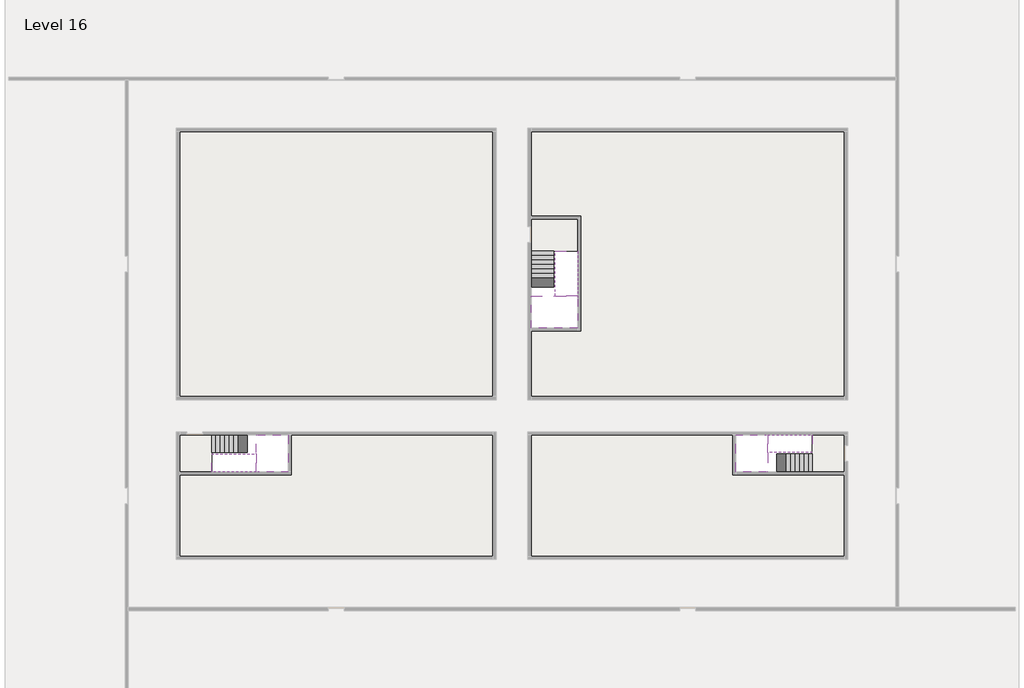
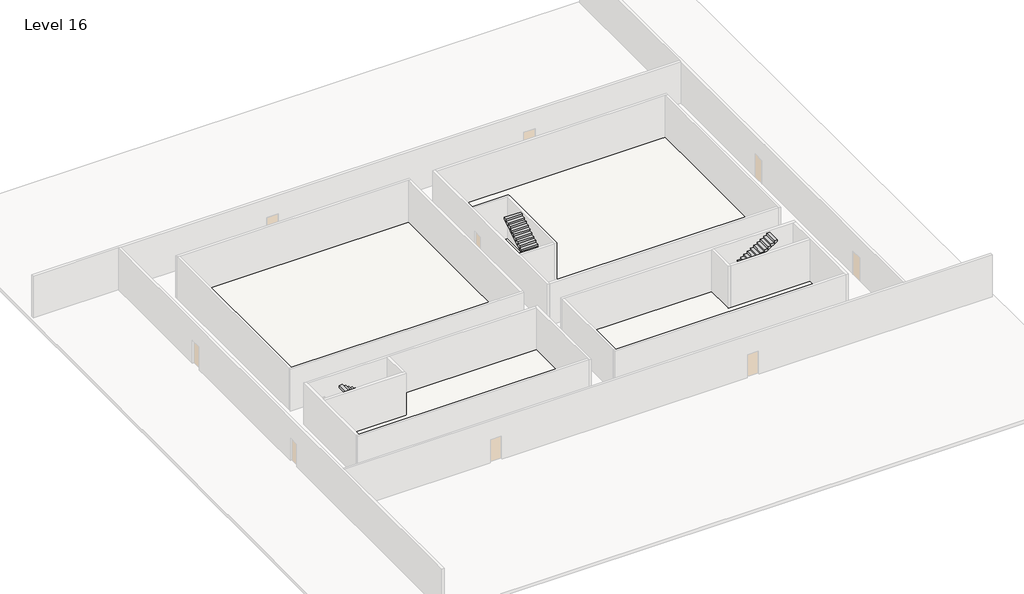
# One storey, part 2 of 2: 6 stair flights, 5 slabs.
"""IFC4 building model written with IfcOpenShell, lengths in millimetres."""

import ifcopenshell
import ifcopenshell.guid

model = None  # the IFC model being written
_history = None  # IfcOwnerHistory: only IFC2X3 demands one
_inside = {}  # id of a spatial element -> (the spatial element, [elements in it])
_under = {}  # id of a project, library or spatial element -> (it, [spatial elements below it])
_declared = {}  # id of a project -> (the project, [libraries it declares])
_typed = {}  # id of a type object -> (the type object, [elements of that type])
_made_of = {}  # id of a material, layer set ... -> (it, [elements and type objects made of it])


def new_model(schema):
    """Start an empty IFC model of exactly this schema.

    Asked for "IFC4X3", IfcOpenShell would pick the latest addendum, in which some entities
    have other attributes; the version numbers below select the first issue.
    IFC2X3 requires an IfcOwnerHistory on every rooted entity: one is made here for all.
    """
    global model, _history
    if schema == "IFC4X3":
        model = ifcopenshell.file(schema_version=(4, 3, 0, 0))
    else:
        model = ifcopenshell.file(schema=schema)
    _inside.clear()
    _under.clear()
    _declared.clear()
    _typed.clear()
    _made_of.clear()
    _history = None
    if model.schema == "IFC2X3":
        org = make("IfcOrganization", Name="unknown")
        user = make(
            "IfcPersonAndOrganization",
            ThePerson=make("IfcPerson", FamilyName="unknown"),
            TheOrganization=org,
        )
        app = make(
            "IfcApplication",
            ApplicationDeveloper=org,
            Version="unknown",
            ApplicationFullName="unknown",
            ApplicationIdentifier="unknown",
        )
        _history = make(
            "IfcOwnerHistory",
            OwningUser=user,
            OwningApplication=app,
            ChangeAction="ADDED",
            CreationDate=0,
        )
    return model


def make(cls, **values):
    """One entity of the class cls with the attributes given. An attribute that is None is left unset."""
    return model.create_entity(
        cls, **{name: value for name, value in values.items() if value is not None}
    )


def rooted(cls, **values):
    """An entity with a GlobalId (a new one), such as an element, a storey or a relation."""
    return make(cls, GlobalId=ifcopenshell.guid.new(), OwnerHistory=_history, **values)


def si_unit(unit_type, name, prefix=None):
    """IfcSIUnit, for example si_unit("LENGTHUNIT", "METRE", prefix="MILLI")."""
    return make("IfcSIUnit", UnitType=unit_type, Prefix=prefix, Name=name)


def assignment(units):
    """IfcUnitAssignment: the units of a project."""
    return None if units is None else make("IfcUnitAssignment", Units=units)


def point(xyz):
    """IfcCartesianPoint."""
    return None if xyz is None else make("IfcCartesianPoint", Coordinates=xyz)


def direction(xyz):
    """IfcDirection."""
    return None if xyz is None else make("IfcDirection", DirectionRatios=xyz)


def frame(location, z_axis=None, x_axis=None):
    """IfcAxis2Placement3D, a coordinate frame: its origin and axes. An axis left out is left unset."""
    return make(
        "IfcAxis2Placement3D",
        Location=point(location),
        Axis=direction(z_axis),
        RefDirection=direction(x_axis),
    )


def origin():
    """The frame at (0, 0, 0) with its axes left unset."""
    return frame((0.0, 0.0, 0.0))


def place(relative_to, where):
    """IfcLocalPlacement: puts the frame where relative to a parent placement (None: the world)."""
    return make(
        "IfcLocalPlacement", PlacementRelTo=relative_to, RelativePlacement=where
    )


def context(
    kind, dimensions, precision=None, world=None, true_north=None, identifier=None
):
    """IfcGeometricRepresentationContext, for example the 3D "Model" context."""
    return make(
        "IfcGeometricRepresentationContext",
        ContextIdentifier=identifier,
        ContextType=kind,
        CoordinateSpaceDimension=dimensions,
        Precision=precision,
        WorldCoordinateSystem=world,
        TrueNorth=true_north,
    )


def project(units=None, contexts=None):
    """IfcProject with its units and contexts."""
    return rooted(
        "IfcProject",
        Name="project",
        RepresentationContexts=contexts,
        UnitsInContext=assignment(units),
    )


def spatial(cls, under=None, at=None, **own):
    """A site, building, storey or space (cls), placed at a placement, below another one or the project."""
    s = rooted(cls, ObjectPlacement=at, **own)
    if under is not None:
        _under.setdefault(under.id(), (under, []))[1].append(s)
    return s


def polyline(points):
    """IfcPolyline through the points."""
    return make("IfcPolyline", Points=[point(p) for p in points])


def outline(outer, holes=None, kind="AREA"):
    """IfcArbitraryClosedProfileDef: a profile drawn as a closed curve; with holes, ...WithVoids."""
    if holes is None:
        return make("IfcArbitraryClosedProfileDef", ProfileType=kind, OuterCurve=outer)
    return make(
        "IfcArbitraryProfileDefWithVoids",
        ProfileType=kind,
        OuterCurve=outer,
        InnerCurves=holes,
    )


def extrude(swept, where, along, depth):
    """IfcExtrudedAreaSolid: the profile swept, set in the frame where, extruded along a direction by depth."""
    return make(
        "IfcExtrudedAreaSolid",
        SweptArea=swept,
        Position=where,
        ExtrudedDirection=direction(along),
        Depth=depth,
    )


def faces_of(points, faces, orient=None, outer=None):
    """IfcFace entities. A face is a list of loops; a loop is a list of indices into points, from 0.

    orient and outer hold one flag for each loop. By default every Orientation is true, the
    first loop of a face is its IfcFaceOuterBound and the others are IfcFaceBound.
    """
    made = []
    for i, loops in enumerate(faces):
        bounds = []
        for j, loop in enumerate(loops):
            is_outer = j == 0 if outer is None else outer[i][j]
            bounds.append(
                make(
                    "IfcFaceOuterBound" if is_outer else "IfcFaceBound",
                    Bound=make("IfcPolyLoop", Polygon=[points[k] for k in loop]),
                    Orientation=True if orient is None else orient[i][j],
                )
            )
        made.append(make("IfcFace", Bounds=bounds))
    return made


def faceted_brep(points, faces, orient=None, outer=None, voids=None):
    """IfcFacetedBrep: a solid bounded by flat faces; with voids (closed shells), ...WithVoids."""
    shared = [point(p) for p in points]
    hull = make("IfcClosedShell", CfsFaces=faces_of(shared, faces, orient, outer))
    if voids is None:
        return make("IfcFacetedBrep", Outer=hull)
    return make(
        "IfcFacetedBrepWithVoids",
        Outer=hull,
        Voids=[
            make(cls, CfsFaces=faces_of(shared, fs, o, b)) for cls, fs, o, b in voids
        ],
    )


def shape(context_of_items, identifier, shape_type, items):
    """IfcShapeRepresentation: the items that make up one representation, for example the "Body"."""
    return make(
        "IfcShapeRepresentation",
        ContextOfItems=context_of_items,
        RepresentationIdentifier=identifier,
        RepresentationType=shape_type,
        Items=items,
    )


def made_of(thing, what):
    """Note that an element or type object is made of a material, layer set ...; save() writes the relation."""
    if what is not None:
        _made_of.setdefault(what.id(), (what, []))[1].append(thing)
    return thing


def element(
    cls,
    number,
    at=None,
    inside=None,
    cuts=None,
    type_object=None,
    material=None,
    context=None,
    identifier="Body",
    shape_type=None,
    held_by="IfcProductDefinitionShape",
    body=None,
    shapes=None,
    **own,
):
    """One element of the class cls, such as IfcWall. Its Tag is "e" and its number.

    at: its placement. inside: the storey or other place that contains it. cuts: it is an
    opening in that element (IfcRelVoidsElement). A single representation is given by context,
    identifier, shape_type and body (its items); several are given by shapes. held_by: the class
    of the entity that holds the representations. save() writes the other relations.
    """
    e = rooted(cls, Tag="e%d" % number, ObjectPlacement=at, **own)
    if body is not None:
        shapes = [shape(context, identifier, shape_type, body)]
    if shapes is not None:
        e.Representation = make(held_by, Representations=shapes)
    if inside is not None:
        _inside.setdefault(inside.id(), (inside, []))[1].append(e)
    if cuts is not None:
        rooted(
            "IfcRelVoidsElement", RelatingBuildingElement=cuts, RelatedOpeningElement=e
        )
    if type_object is not None:
        _typed.setdefault(type_object.id(), (type_object, []))[1].append(e)
    return made_of(e, material)


def aggregate(whole, parts):
    """IfcRelAggregates: a whole, such as a stair, and the parts it consists of."""
    return rooted("IfcRelAggregates", RelatingObject=whole, RelatedObjects=parts)


def save(model, path):
    """Write the relations noted so far, then the file.

    IfcRelAggregates (storeys below a building ...), IfcRelContainedInSpatialStructure (elements
    in a storey), IfcRelDefinesByType, IfcRelAssociatesMaterial and IfcRelDeclares: one each for
    every whole, place, type object, material and project.
    """
    for whole, parts in _under.values():
        aggregate(whole, parts)
    for where, things in _inside.values():
        rooted(
            "IfcRelContainedInSpatialStructure",
            RelatedElements=things,
            RelatingStructure=where,
        )
    for kind, things in _typed.values():
        rooted("IfcRelDefinesByType", RelatedObjects=things, RelatingType=kind)
    for what, things in _made_of.values():
        rooted("IfcRelAssociatesMaterial", RelatedObjects=things, RelatingMaterial=what)
    for by, libraries in _declared.values():
        rooted("IfcRelDeclares", RelatingContext=by, RelatedDefinitions=libraries)
    model.write(path)


model = new_model("IFC4")

# Units and contexts
model_context = context("Model", 3, world=origin())
ifc_project = project(units=[si_unit("LENGTHUNIT", "METRE", prefix="MILLI")], contexts=[model_context])

# Site, building, storey
site = spatial("IfcSite", under=ifc_project)
building = spatial("IfcBuilding", under=site)
storey = spatial("IfcBuildingStorey", under=building, Name="Level 16", Elevation=57000.0)

# Slabs
placement = place(None, origin())
element("IfcSlab", 1, at=placement, inside=storey, context=model_context, shape_type="Brep", body=[
    faceted_brep([(8190.1058784, -42918.09644, 58900.0), (8190.1058784, -44018.09644, 58900.0), (8190.1058784, -44118.09644, 58900.0), (8190.1058784, -45218.09644, 58900.0), (8390.7194421, -45218.09644, 58900.0), (10190.1058784, -45218.09644, 58900.0), (10190.1058784, -42918.09644, 58900.0), (8269.4923146, -42918.09644, 58900.0), (8190.1058784, -42918.09644, 58727.2727273), (8190.1058784, -42918.09644, 58551.0278478), (8190.1058784, -44018.09644, 58551.0278478), (8190.1058784, -44018.09644, 58600.0), (8190.1058784, -44118.09644, 58600.0), (8190.1058784, -44118.09644, 58723.7551205), (8190.1058784, -45218.09644, 58723.7551205), (8390.7194421, -45218.09644, 58600.0), (10190.1058784, -45218.09644, 58600.0), (10190.1058784, -42918.09644, 58600.0), (8269.4923146, -42918.09644, 58600.0), (8390.7194421, -44118.09644, 58600.0), (8269.4923146, -44018.09644, 58600.0)], [[[0, 1, 2, 3, 4, 5, 6, 7]], [[1, 0, 8, 9, 10, 11]], [[2, 1, 11, 12, 13]], [[3, 2, 13, 14]], [[3, 14, 15, 16, 5, 4]], [[6, 5, 16, 17]], [[9, 8, 0, 7, 6, 17, 18]], [[19, 12, 11, 20, 18, 17, 16, 15]], [[12, 19, 13]], [[18, 20, 10, 9]], [[20, 11, 10]], [[19, 15, 14, 13]]]),
])
element("IfcSlab", 2, at=placement, inside=storey, context=model_context, shape_type="Brep", body=[
    faceted_brep([(40190.1058784, -45218.09644, 58900.0), (40190.1058784, -44118.09644, 58900.0), (40190.1058784, -44018.09644, 58900.0), (40190.1058784, -42918.09644, 58900.0), (39989.4923146, -42918.09644, 58900.0), (38190.1058784, -42918.09644, 58900.0), (38190.1058784, -45218.09644, 58900.0), (40110.7194421, -45218.09644, 58900.0), (40190.1058784, -45218.09644, 58727.2727273), (40190.1058784, -45218.09644, 58551.0278478), (40190.1058784, -44118.09644, 58551.0278478), (40190.1058784, -44118.09644, 58600.0), (40190.1058784, -44018.09644, 58600.0), (40190.1058784, -44018.09644, 58723.7551205), (40190.1058784, -42918.09644, 58723.7551205), (39989.4923146, -42918.09644, 58600.0), (38190.1058784, -42918.09644, 58600.0), (38190.1058784, -45218.09644, 58600.0), (40110.7194421, -45218.09644, 58600.0), (39989.4923146, -44018.09644, 58600.0), (40110.7194421, -44118.09644, 58600.0)], [[[0, 1, 2, 3, 4, 5, 6, 7]], [[1, 0, 8, 9, 10, 11]], [[2, 1, 11, 12, 13]], [[3, 2, 13, 14]], [[3, 14, 15, 16, 5, 4]], [[6, 5, 16, 17]], [[9, 8, 0, 7, 6, 17, 18]], [[19, 12, 11, 20, 18, 17, 16, 15]], [[12, 19, 13]], [[18, 20, 10, 9]], [[20, 11, 10]], [[19, 15, 14, 13]]]),
])
element("IfcSlab", 3, at=placement, inside=storey, context=model_context, shape_type="Brep", body=[
    faceted_brep([(26790.1058784, -34218.09644, 58900.0), (25390.1058784, -34218.09644, 58900.0), (25390.1058784, -34297.4828763, 58900.0), (25390.1058784, -36218.09644, 58900.0), (28290.1058784, -36218.09644, 58900.0), (28290.1058784, -34418.7100038, 58900.0), (28290.1058784, -34218.09644, 58900.0), (26890.1058784, -34218.09644, 58900.0), (26790.1058784, -34218.09644, 58600.0), (26790.1058784, -34218.09644, 58551.0278478), (25390.1058784, -34218.09644, 58551.0278478), (25390.1058784, -34218.09644, 58727.2727273), (25390.1058784, -34297.4828763, 58600.0), (25390.1058784, -36218.09644, 58600.0), (28290.1058784, -36218.09644, 58600.0), (28290.1058784, -34418.7100038, 58600.0), (28290.1058784, -34218.09644, 58723.7551205), (26890.1058784, -34218.09644, 58723.7551205), (26890.1058784, -34218.09644, 58600.0), (26890.1058784, -34418.7100038, 58600.0), (26790.1058784, -34297.4828763, 58600.0)], [[[0, 1, 2, 3, 4, 5, 6, 7]], [[1, 0, 8, 9, 10, 11]], [[1, 11, 10, 12, 13, 3, 2]], [[4, 3, 13, 14]], [[4, 14, 15, 16, 6, 5]], [[7, 6, 16, 17]], [[0, 7, 17, 18, 8]], [[18, 19, 15, 14, 13, 12, 20, 8]], [[19, 18, 17]], [[20, 12, 10, 9]], [[8, 20, 9]], [[15, 19, 17, 16]]]),
])
element("IfcSlab", 4, at=placement, inside=storey, context=model_context, shape_type="SweptSolid", body=[
    extrude(outline(polyline([(22990.1058784, -23918.09644), (22990.1058784, -40518.09644), (3390.1058784, -40518.09644), (3390.1058784, -23918.09644), (22990.1058784, -23918.09644)])), frame((0.0, 0.0, 56700.0), z_axis=(0.0, 0.0, 1.0), x_axis=(1.0, 0.0, 0.0)), (0.0, 0.0, 1.0), 300.0),
    extrude(outline(polyline([(44990.1058784, -23918.09644), (44990.1058784, -40518.09644), (25390.1058784, -40518.09644), (25390.1058784, -36418.09644), (28490.1058784, -36418.09644), (28490.1058784, -29218.09644), (25390.1058784, -29218.09644), (25390.1058784, -23918.09644), (44990.1058784, -23918.09644)])), frame((0.0, 0.0, 56700.0), z_axis=(0.0, 0.0, 1.0), x_axis=(1.0, 0.0, 0.0)), (0.0, 0.0, 1.0), 300.0),
    extrude(outline(polyline([(22990.1058784, -42918.09644), (22990.1058784, -50518.09644), (3390.1058784, -50518.09644), (3390.1058784, -45418.09644), (10390.1058784, -45418.09644), (10390.1058784, -42918.09644), (22990.1058784, -42918.09644)])), frame((0.0, 0.0, 56700.0), z_axis=(0.0, 0.0, 1.0), x_axis=(1.0, 0.0, 0.0)), (0.0, 0.0, 1.0), 300.0),
    extrude(outline(polyline([(37990.1058784, -42918.09644), (37990.1058784, -45418.09644), (44990.1058784, -45418.09644), (44990.1058784, -50518.09644), (25390.1058784, -50518.09644), (25390.1058784, -42918.09644), (37990.1058784, -42918.09644)])), frame((0.0, 0.0, 56700.0), z_axis=(0.0, 0.0, 1.0), x_axis=(1.0, 0.0, 0.0)), (0.0, 0.0, 1.0), 300.0),
])
element("IfcSlab", 5, at=placement, inside=storey, context=model_context, shape_type="SweptSolid", body=[
    extrude(outline(polyline([(44990.1058784, -42918.09644), (44990.1058784, -45218.09644), (42990.1058784, -45218.09644), (42990.1058784, -42918.09644), (44990.1058784, -42918.09644)])), frame((0.0, 0.0, 56700.0), z_axis=(0.0, 0.0, 1.0), x_axis=(1.0, 0.0, 0.0)), (0.0, 0.0, 1.0), 300.0),
    extrude(outline(polyline([(5390.1058784, -42918.09644), (5390.1058784, -45218.09644), (3390.1058784, -45218.09644), (3390.1058784, -42918.09644), (5390.1058784, -42918.09644)])), frame((0.0, 0.0, 56700.0), z_axis=(0.0, 0.0, 1.0), x_axis=(1.0, 0.0, 0.0)), (0.0, 0.0, 1.0), 300.0),
    extrude(outline(polyline([(28290.1058784, -29418.09644), (28290.1058784, -31418.09644), (25390.1058784, -31418.09644), (25390.1058784, -29418.09644), (28290.1058784, -29418.09644)])), frame((0.0, 0.0, 56700.0), z_axis=(0.0, 0.0, 1.0), x_axis=(1.0, 0.0, 0.0)), (0.0, 0.0, 1.0), 300.0),
])

# Stair flights
element("IfcStairFlight", 6, at=placement, inside=storey, context=model_context, shape_type="Brep", body=[
    faceted_brep([(5670.1058784, -42918.09644, 57172.7272727), (5390.1058784, -42918.09644, 57172.7272727), (5390.1058784, -44018.09644, 57172.7272727), (5670.1058784, -44018.09644, 57172.7272727), (5670.1058784, -42918.09644, 57000.0), (5390.1058784, -42918.09644, 57000.0), (5390.1058784, -44018.09644, 57000.0), (5670.1058784, -44018.09644, 57000.0), (5950.1058784, -42918.09644, 57345.4545455), (5670.1058784, -42918.09644, 57345.4545455), (5670.1058784, -44018.09644, 57345.4545455), (5950.1058784, -44018.09644, 57345.4545455), (5950.1058784, -42918.09644, 57169.209666), (5675.8081041, -42918.09644, 57000.0), (5675.8081041, -44018.09644, 57000.0), (5950.1058784, -44018.09644, 57169.209666), (6230.1058784, -42918.09644, 57518.1818182), (5950.1058784, -42918.09644, 57518.1818182), (5950.1058784, -44018.09644, 57518.1818182), (6230.1058784, -44018.09644, 57518.1818182), (6230.1058784, -42918.09644, 57341.9369387), (6230.1058784, -44018.09644, 57341.9369387), (6510.1058784, -42918.09644, 57690.9090909), (6230.1058784, -42918.09644, 57690.9090909), (6230.1058784, -44018.09644, 57690.9090909), (6510.1058784, -44018.09644, 57690.9090909), (6510.1058784, -42918.09644, 57514.6642114), (6510.1058784, -44018.09644, 57514.6642114), (6790.1058784, -42918.09644, 57863.6363636), (6510.1058784, -42918.09644, 57863.6363636), (6510.1058784, -44018.09644, 57863.6363636), (6790.1058784, -44018.09644, 57863.6363636), (6790.1058784, -42918.09644, 57687.3914841), (6790.1058784, -44018.09644, 57687.3914841), (7070.1058784, -42918.09644, 58036.3636364), (6790.1058784, -42918.09644, 58036.3636364), (6790.1058784, -44018.09644, 58036.3636364), (7070.1058784, -44018.09644, 58036.3636364), (7070.1058784, -42918.09644, 57860.1187569), (7070.1058784, -44018.09644, 57860.1187569), (7350.1058784, -42918.09644, 58209.0909091), (7070.1058784, -42918.09644, 58209.0909091), (7070.1058784, -44018.09644, 58209.0909091), (7350.1058784, -44018.09644, 58209.0909091), (7350.1058784, -42918.09644, 58032.8460296), (7350.1058784, -44018.09644, 58032.8460296), (7630.1058784, -42918.09644, 58381.8181818), (7350.1058784, -42918.09644, 58381.8181818), (7350.1058784, -44018.09644, 58381.8181818), (7630.1058784, -44018.09644, 58381.8181818), (7630.1058784, -42918.09644, 58205.5733023), (7630.1058784, -44018.09644, 58205.5733023), (7910.1058784, -42918.09644, 58554.5454545), (7630.1058784, -42918.09644, 58554.5454545), (7630.1058784, -44018.09644, 58554.5454545), (7910.1058784, -44018.09644, 58554.5454545), (7910.1058784, -42918.09644, 58378.3005751), (7910.1058784, -44018.09644, 58378.3005751), (8190.1058784, -42918.09644, 58727.2727273), (7910.1058784, -42918.09644, 58727.2727273), (7910.1058784, -44018.09644, 58727.2727273), (8190.1058784, -44018.09644, 58727.2727273), (8190.1058784, -42918.09644, 58551.0278478), (8190.1058784, -44018.09644, 58551.0278478), (8190.1058784, -44018.09644, 58600.0)], [[[0, 1, 2, 3]], [[1, 0, 4, 5]], [[2, 1, 5, 6]], [[3, 2, 6, 7]], [[8, 9, 10, 11]], [[4, 0, 9, 8, 12, 13]], [[0, 3, 10, 9]], [[3, 7, 14, 15, 11, 10]], [[16, 17, 18, 19]], [[17, 16, 20, 12, 8]], [[8, 11, 18, 17]], [[19, 18, 11, 15, 21]], [[22, 23, 24, 25]], [[23, 22, 26, 20, 16]], [[16, 19, 24, 23]], [[25, 24, 19, 21, 27]], [[28, 29, 30, 31]], [[29, 28, 32, 26, 22]], [[22, 25, 30, 29]], [[31, 30, 25, 27, 33]], [[34, 35, 36, 37]], [[35, 34, 38, 32, 28]], [[28, 31, 36, 35]], [[37, 36, 31, 33, 39]], [[40, 41, 42, 43]], [[41, 40, 44, 38, 34]], [[34, 37, 42, 41]], [[43, 42, 37, 39, 45]], [[46, 47, 48, 49]], [[47, 46, 50, 44, 40]], [[40, 43, 48, 47]], [[49, 48, 43, 45, 51]], [[52, 53, 54, 55]], [[53, 52, 56, 50, 46]], [[46, 49, 54, 53]], [[55, 54, 49, 51, 57]], [[58, 59, 60, 61]], [[59, 58, 62, 56, 52]], [[52, 55, 60, 59]], [[61, 60, 55, 57, 63, 64]], [[58, 61, 64, 63, 62]], [[5, 4, 13, 14, 7, 6]], [[14, 13, 12, 20, 26, 32, 38, 44, 50, 56, 62, 63, 57, 51, 45, 39, 33, 27, 21, 15]]]),
])
element("IfcStairFlight", 7, at=placement, inside=storey, context=model_context, shape_type="Brep", body=[
    faceted_brep([(7910.1058784, -45218.09644, 59072.7272727), (8190.1058784, -45218.09644, 59072.7272727), (8190.1058784, -44118.09644, 59072.7272727), (7910.1058784, -44118.09644, 59072.7272727), (7910.1058784, -45218.09644, 58896.4823932), (8190.1058784, -45218.09644, 58723.7551205), (8190.1058784, -45218.09644, 58900.0), (8190.1058784, -44118.09644, 58723.7551205), (7910.1058784, -44118.09644, 58896.4823932), (7630.1058784, -45218.09644, 59245.4545455), (7910.1058784, -45218.09644, 59245.4545455), (7910.1058784, -44118.09644, 59245.4545455), (7630.1058784, -44118.09644, 59245.4545455), (7630.1058784, -45218.09644, 59069.209666), (7630.1058784, -44118.09644, 59069.209666), (7350.1058784, -45218.09644, 59418.1818182), (7630.1058784, -45218.09644, 59418.1818182), (7630.1058784, -44118.09644, 59418.1818182), (7350.1058784, -44118.09644, 59418.1818182), (7350.1058784, -45218.09644, 59241.9369387), (7350.1058784, -44118.09644, 59241.9369387), (7070.1058784, -45218.09644, 59590.9090909), (7350.1058784, -45218.09644, 59590.9090909), (7350.1058784, -44118.09644, 59590.9090909), (7070.1058784, -44118.09644, 59590.9090909), (7070.1058784, -45218.09644, 59414.6642114), (7070.1058784, -44118.09644, 59414.6642114), (6790.1058784, -45218.09644, 59763.6363636), (7070.1058784, -45218.09644, 59763.6363636), (7070.1058784, -44118.09644, 59763.6363636), (6790.1058784, -44118.09644, 59763.6363636), (6790.1058784, -45218.09644, 59587.3914841), (6790.1058784, -44118.09644, 59587.3914841), (6510.1058784, -45218.09644, 59936.3636364), (6790.1058784, -45218.09644, 59936.3636364), (6790.1058784, -44118.09644, 59936.3636364), (6510.1058784, -44118.09644, 59936.3636364), (6510.1058784, -45218.09644, 59760.1187569), (6510.1058784, -44118.09644, 59760.1187569), (6230.1058784, -45218.09644, 60109.0909091), (6510.1058784, -45218.09644, 60109.0909091), (6510.1058784, -44118.09644, 60109.0909091), (6230.1058784, -44118.09644, 60109.0909091), (6230.1058784, -45218.09644, 59932.8460296), (6230.1058784, -44118.09644, 59932.8460296), (5950.1058784, -45218.09644, 60281.8181818), (6230.1058784, -45218.09644, 60281.8181818), (6230.1058784, -44118.09644, 60281.8181818), (5950.1058784, -44118.09644, 60281.8181818), (5950.1058784, -45218.09644, 60105.5733023), (5950.1058784, -44118.09644, 60105.5733023), (5670.1058784, -45218.09644, 60454.5454545), (5950.1058784, -45218.09644, 60454.5454545), (5950.1058784, -44118.09644, 60454.5454545), (5670.1058784, -44118.09644, 60454.5454545), (5670.1058784, -45218.09644, 60278.3005751), (5670.1058784, -44118.09644, 60278.3005751), (5390.1058784, -45218.09644, 60627.2727273), (5670.1058784, -45218.09644, 60627.2727273), (5670.1058784, -44118.09644, 60627.2727273), (5390.1058784, -44118.09644, 60627.2727273), (5390.1058784, -45218.09644, 60451.0278478), (5390.1058784, -44118.09644, 60451.0278478)], [[[0, 1, 2, 3]], [[1, 0, 4, 5, 6]], [[2, 1, 6, 5, 7]], [[3, 2, 7, 8]], [[9, 10, 11, 12]], [[10, 9, 13, 4, 0]], [[11, 10, 0, 3]], [[12, 11, 3, 8, 14]], [[15, 16, 17, 18]], [[16, 15, 19, 13, 9]], [[17, 16, 9, 12]], [[18, 17, 12, 14, 20]], [[21, 22, 23, 24]], [[22, 21, 25, 19, 15]], [[23, 22, 15, 18]], [[24, 23, 18, 20, 26]], [[27, 28, 29, 30]], [[28, 27, 31, 25, 21]], [[29, 28, 21, 24]], [[30, 29, 24, 26, 32]], [[33, 34, 35, 36]], [[34, 33, 37, 31, 27]], [[35, 34, 27, 30]], [[36, 35, 30, 32, 38]], [[39, 40, 41, 42]], [[40, 39, 43, 37, 33]], [[41, 40, 33, 36]], [[42, 41, 36, 38, 44]], [[45, 46, 47, 48]], [[46, 45, 49, 43, 39]], [[47, 46, 39, 42]], [[48, 47, 42, 44, 50]], [[51, 52, 53, 54]], [[52, 51, 55, 49, 45]], [[53, 52, 45, 48]], [[54, 53, 48, 50, 56]], [[57, 58, 59, 60]], [[58, 57, 61, 55, 51]], [[59, 58, 51, 54]], [[60, 59, 54, 56, 62]], [[57, 60, 62, 61]], [[5, 4, 13, 19, 25, 31, 37, 43, 49, 55, 61, 62, 56, 50, 44, 38, 32, 26, 20, 14, 8, 7]]]),
])
element("IfcStairFlight", 8, at=placement, inside=storey, context=model_context, shape_type="Brep", body=[
    faceted_brep([(42710.1058784, -45218.09644, 57172.7272727), (42990.1058784, -45218.09644, 57172.7272727), (42990.1058784, -44118.09644, 57172.7272727), (42710.1058784, -44118.09644, 57172.7272727), (42710.1058784, -45218.09644, 57000.0), (42990.1058784, -45218.09644, 57000.0), (42990.1058784, -44118.09644, 57000.0), (42710.1058784, -44118.09644, 57000.0), (42430.1058784, -45218.09644, 57345.4545455), (42710.1058784, -45218.09644, 57345.4545455), (42710.1058784, -44118.09644, 57345.4545455), (42430.1058784, -44118.09644, 57345.4545455), (42430.1058784, -45218.09644, 57169.209666), (42704.4036527, -45218.09644, 57000.0), (42704.4036527, -44118.09644, 57000.0), (42430.1058784, -44118.09644, 57169.209666), (42150.1058784, -45218.09644, 57518.1818182), (42430.1058784, -45218.09644, 57518.1818182), (42430.1058784, -44118.09644, 57518.1818182), (42150.1058784, -44118.09644, 57518.1818182), (42150.1058784, -45218.09644, 57341.9369387), (42150.1058784, -44118.09644, 57341.9369387), (41870.1058784, -45218.09644, 57690.9090909), (42150.1058784, -45218.09644, 57690.9090909), (42150.1058784, -44118.09644, 57690.9090909), (41870.1058784, -44118.09644, 57690.9090909), (41870.1058784, -45218.09644, 57514.6642114), (41870.1058784, -44118.09644, 57514.6642114), (41590.1058784, -45218.09644, 57863.6363636), (41870.1058784, -45218.09644, 57863.6363636), (41870.1058784, -44118.09644, 57863.6363636), (41590.1058784, -44118.09644, 57863.6363636), (41590.1058784, -45218.09644, 57687.3914841), (41590.1058784, -44118.09644, 57687.3914841), (41310.1058784, -45218.09644, 58036.3636364), (41590.1058784, -45218.09644, 58036.3636364), (41590.1058784, -44118.09644, 58036.3636364), (41310.1058784, -44118.09644, 58036.3636364), (41310.1058784, -45218.09644, 57860.1187569), (41310.1058784, -44118.09644, 57860.1187569), (41030.1058784, -45218.09644, 58209.0909091), (41310.1058784, -45218.09644, 58209.0909091), (41310.1058784, -44118.09644, 58209.0909091), (41030.1058784, -44118.09644, 58209.0909091), (41030.1058784, -45218.09644, 58032.8460296), (41030.1058784, -44118.09644, 58032.8460296), (40750.1058784, -45218.09644, 58381.8181818), (41030.1058784, -45218.09644, 58381.8181818), (41030.1058784, -44118.09644, 58381.8181818), (40750.1058784, -44118.09644, 58381.8181818), (40750.1058784, -45218.09644, 58205.5733023), (40750.1058784, -44118.09644, 58205.5733023), (40470.1058784, -45218.09644, 58554.5454545), (40750.1058784, -45218.09644, 58554.5454545), (40750.1058784, -44118.09644, 58554.5454545), (40470.1058784, -44118.09644, 58554.5454545), (40470.1058784, -45218.09644, 58378.3005751), (40470.1058784, -44118.09644, 58378.3005751), (40190.1058784, -45218.09644, 58727.2727273), (40470.1058784, -45218.09644, 58727.2727273), (40470.1058784, -44118.09644, 58727.2727273), (40190.1058784, -44118.09644, 58727.2727273), (40190.1058784, -45218.09644, 58551.0278478), (40190.1058784, -44118.09644, 58551.0278478), (40190.1058784, -44118.09644, 58600.0)], [[[0, 1, 2, 3]], [[1, 0, 4, 5]], [[2, 1, 5, 6]], [[3, 2, 6, 7]], [[8, 9, 10, 11]], [[4, 0, 9, 8, 12, 13]], [[0, 3, 10, 9]], [[3, 7, 14, 15, 11, 10]], [[16, 17, 18, 19]], [[17, 16, 20, 12, 8]], [[8, 11, 18, 17]], [[19, 18, 11, 15, 21]], [[22, 23, 24, 25]], [[23, 22, 26, 20, 16]], [[16, 19, 24, 23]], [[25, 24, 19, 21, 27]], [[28, 29, 30, 31]], [[29, 28, 32, 26, 22]], [[22, 25, 30, 29]], [[31, 30, 25, 27, 33]], [[34, 35, 36, 37]], [[35, 34, 38, 32, 28]], [[28, 31, 36, 35]], [[37, 36, 31, 33, 39]], [[40, 41, 42, 43]], [[41, 40, 44, 38, 34]], [[34, 37, 42, 41]], [[43, 42, 37, 39, 45]], [[46, 47, 48, 49]], [[47, 46, 50, 44, 40]], [[40, 43, 48, 47]], [[49, 48, 43, 45, 51]], [[52, 53, 54, 55]], [[53, 52, 56, 50, 46]], [[46, 49, 54, 53]], [[55, 54, 49, 51, 57]], [[58, 59, 60, 61]], [[59, 58, 62, 56, 52]], [[52, 55, 60, 59]], [[61, 60, 55, 57, 63, 64]], [[58, 61, 64, 63, 62]], [[5, 4, 13, 14, 7, 6]], [[14, 13, 12, 20, 26, 32, 38, 44, 50, 56, 62, 63, 57, 51, 45, 39, 33, 27, 21, 15]]]),
])
element("IfcStairFlight", 9, at=placement, inside=storey, context=model_context, shape_type="Brep", body=[
    faceted_brep([(40470.1058784, -42918.09644, 59072.7272727), (40190.1058784, -42918.09644, 59072.7272727), (40190.1058784, -44018.09644, 59072.7272727), (40470.1058784, -44018.09644, 59072.7272727), (40470.1058784, -42918.09644, 58896.4823932), (40190.1058784, -42918.09644, 58723.7551205), (40190.1058784, -42918.09644, 58900.0), (40190.1058784, -44018.09644, 58723.7551205), (40470.1058784, -44018.09644, 58896.4823932), (40750.1058784, -42918.09644, 59245.4545455), (40470.1058784, -42918.09644, 59245.4545455), (40470.1058784, -44018.09644, 59245.4545455), (40750.1058784, -44018.09644, 59245.4545455), (40750.1058784, -42918.09644, 59069.209666), (40750.1058784, -44018.09644, 59069.209666), (41030.1058784, -42918.09644, 59418.1818182), (40750.1058784, -42918.09644, 59418.1818182), (40750.1058784, -44018.09644, 59418.1818182), (41030.1058784, -44018.09644, 59418.1818182), (41030.1058784, -42918.09644, 59241.9369387), (41030.1058784, -44018.09644, 59241.9369387), (41310.1058784, -42918.09644, 59590.9090909), (41030.1058784, -42918.09644, 59590.9090909), (41030.1058784, -44018.09644, 59590.9090909), (41310.1058784, -44018.09644, 59590.9090909), (41310.1058784, -42918.09644, 59414.6642114), (41310.1058784, -44018.09644, 59414.6642114), (41590.1058784, -42918.09644, 59763.6363636), (41310.1058784, -42918.09644, 59763.6363636), (41310.1058784, -44018.09644, 59763.6363636), (41590.1058784, -44018.09644, 59763.6363636), (41590.1058784, -42918.09644, 59587.3914841), (41590.1058784, -44018.09644, 59587.3914841), (41870.1058784, -42918.09644, 59936.3636364), (41590.1058784, -42918.09644, 59936.3636364), (41590.1058784, -44018.09644, 59936.3636364), (41870.1058784, -44018.09644, 59936.3636364), (41870.1058784, -42918.09644, 59760.1187569), (41870.1058784, -44018.09644, 59760.1187569), (42150.1058784, -42918.09644, 60109.0909091), (41870.1058784, -42918.09644, 60109.0909091), (41870.1058784, -44018.09644, 60109.0909091), (42150.1058784, -44018.09644, 60109.0909091), (42150.1058784, -42918.09644, 59932.8460296), (42150.1058784, -44018.09644, 59932.8460296), (42430.1058784, -42918.09644, 60281.8181818), (42150.1058784, -42918.09644, 60281.8181818), (42150.1058784, -44018.09644, 60281.8181818), (42430.1058784, -44018.09644, 60281.8181818), (42430.1058784, -42918.09644, 60105.5733023), (42430.1058784, -44018.09644, 60105.5733023), (42710.1058784, -42918.09644, 60454.5454545), (42430.1058784, -42918.09644, 60454.5454545), (42430.1058784, -44018.09644, 60454.5454545), (42710.1058784, -44018.09644, 60454.5454545), (42710.1058784, -42918.09644, 60278.3005751), (42710.1058784, -44018.09644, 60278.3005751), (42990.1058784, -42918.09644, 60627.2727273), (42710.1058784, -42918.09644, 60627.2727273), (42710.1058784, -44018.09644, 60627.2727273), (42990.1058784, -44018.09644, 60627.2727273), (42990.1058784, -42918.09644, 60451.0278478), (42990.1058784, -44018.09644, 60451.0278478)], [[[0, 1, 2, 3]], [[1, 0, 4, 5, 6]], [[2, 1, 6, 5, 7]], [[3, 2, 7, 8]], [[9, 10, 11, 12]], [[10, 9, 13, 4, 0]], [[11, 10, 0, 3]], [[12, 11, 3, 8, 14]], [[15, 16, 17, 18]], [[16, 15, 19, 13, 9]], [[17, 16, 9, 12]], [[18, 17, 12, 14, 20]], [[21, 22, 23, 24]], [[22, 21, 25, 19, 15]], [[23, 22, 15, 18]], [[24, 23, 18, 20, 26]], [[27, 28, 29, 30]], [[28, 27, 31, 25, 21]], [[29, 28, 21, 24]], [[30, 29, 24, 26, 32]], [[33, 34, 35, 36]], [[34, 33, 37, 31, 27]], [[35, 34, 27, 30]], [[36, 35, 30, 32, 38]], [[39, 40, 41, 42]], [[40, 39, 43, 37, 33]], [[41, 40, 33, 36]], [[42, 41, 36, 38, 44]], [[45, 46, 47, 48]], [[46, 45, 49, 43, 39]], [[47, 46, 39, 42]], [[48, 47, 42, 44, 50]], [[51, 52, 53, 54]], [[52, 51, 55, 49, 45]], [[53, 52, 45, 48]], [[54, 53, 48, 50, 56]], [[57, 58, 59, 60]], [[58, 57, 61, 55, 51]], [[59, 58, 51, 54]], [[60, 59, 54, 56, 62]], [[57, 60, 62, 61]], [[5, 4, 13, 19, 25, 31, 37, 43, 49, 55, 61, 62, 56, 50, 44, 38, 32, 26, 20, 14, 8, 7]]]),
])
element("IfcStairFlight", 10, at=placement, inside=storey, context=model_context, shape_type="Brep", body=[
    faceted_brep([(26790.1058784, -31698.09644, 57172.7272727), (26790.1058784, -31418.09644, 57172.7272727), (25390.1058784, -31418.09644, 57172.7272727), (25390.1058784, -31698.09644, 57172.7272727), (26790.1058784, -31698.09644, 57000.0), (26790.1058784, -31418.09644, 57000.0), (25390.1058784, -31418.09644, 57000.0), (25390.1058784, -31698.09644, 57000.0), (26790.1058784, -31978.09644, 57345.4545455), (26790.1058784, -31698.09644, 57345.4545455), (25390.1058784, -31698.09644, 57345.4545455), (25390.1058784, -31978.09644, 57345.4545455), (26790.1058784, -31978.09644, 57169.209666), (26790.1058784, -31703.7986657, 57000.0), (25390.1058784, -31703.7986657, 57000.0), (25390.1058784, -31978.09644, 57169.209666), (26790.1058784, -32258.09644, 57518.1818182), (26790.1058784, -31978.09644, 57518.1818182), (25390.1058784, -31978.09644, 57518.1818182), (25390.1058784, -32258.09644, 57518.1818182), (26790.1058784, -32258.09644, 57341.9369387), (25390.1058784, -32258.09644, 57341.9369387), (26790.1058784, -32538.09644, 57690.9090909), (26790.1058784, -32258.09644, 57690.9090909), (25390.1058784, -32258.09644, 57690.9090909), (25390.1058784, -32538.09644, 57690.9090909), (26790.1058784, -32538.09644, 57514.6642114), (25390.1058784, -32538.09644, 57514.6642114), (26790.1058784, -32818.09644, 57863.6363636), (26790.1058784, -32538.09644, 57863.6363636), (25390.1058784, -32538.09644, 57863.6363636), (25390.1058784, -32818.09644, 57863.6363636), (26790.1058784, -32818.09644, 57687.3914841), (25390.1058784, -32818.09644, 57687.3914841), (26790.1058784, -33098.09644, 58036.3636364), (26790.1058784, -32818.09644, 58036.3636364), (25390.1058784, -32818.09644, 58036.3636364), (25390.1058784, -33098.09644, 58036.3636364), (26790.1058784, -33098.09644, 57860.1187569), (25390.1058784, -33098.09644, 57860.1187569), (26790.1058784, -33378.09644, 58209.0909091), (26790.1058784, -33098.09644, 58209.0909091), (25390.1058784, -33098.09644, 58209.0909091), (25390.1058784, -33378.09644, 58209.0909091), (26790.1058784, -33378.09644, 58032.8460296), (25390.1058784, -33378.09644, 58032.8460296), (26790.1058784, -33658.09644, 58381.8181818), (26790.1058784, -33378.09644, 58381.8181818), (25390.1058784, -33378.09644, 58381.8181818), (25390.1058784, -33658.09644, 58381.8181818), (26790.1058784, -33658.09644, 58205.5733023), (25390.1058784, -33658.09644, 58205.5733023), (26790.1058784, -33938.09644, 58554.5454545), (26790.1058784, -33658.09644, 58554.5454545), (25390.1058784, -33658.09644, 58554.5454545), (25390.1058784, -33938.09644, 58554.5454545), (26790.1058784, -33938.09644, 58378.3005751), (25390.1058784, -33938.09644, 58378.3005751), (26790.1058784, -34218.09644, 58727.2727273), (26790.1058784, -33938.09644, 58727.2727273), (25390.1058784, -33938.09644, 58727.2727273), (25390.1058784, -34218.09644, 58727.2727273), (26790.1058784, -34218.09644, 58600.0), (26790.1058784, -34218.09644, 58551.0278478), (25390.1058784, -34218.09644, 58551.0278478)], [[[0, 1, 2, 3]], [[1, 0, 4, 5]], [[2, 1, 5, 6]], [[3, 2, 6, 7]], [[8, 9, 10, 11]], [[4, 0, 9, 8, 12, 13]], [[0, 3, 10, 9]], [[3, 7, 14, 15, 11, 10]], [[16, 17, 18, 19]], [[17, 16, 20, 12, 8]], [[8, 11, 18, 17]], [[19, 18, 11, 15, 21]], [[22, 23, 24, 25]], [[23, 22, 26, 20, 16]], [[16, 19, 24, 23]], [[25, 24, 19, 21, 27]], [[28, 29, 30, 31]], [[29, 28, 32, 26, 22]], [[22, 25, 30, 29]], [[31, 30, 25, 27, 33]], [[34, 35, 36, 37]], [[35, 34, 38, 32, 28]], [[28, 31, 36, 35]], [[37, 36, 31, 33, 39]], [[40, 41, 42, 43]], [[41, 40, 44, 38, 34]], [[34, 37, 42, 41]], [[43, 42, 37, 39, 45]], [[46, 47, 48, 49]], [[47, 46, 50, 44, 40]], [[40, 43, 48, 47]], [[49, 48, 43, 45, 51]], [[52, 53, 54, 55]], [[53, 52, 56, 50, 46]], [[46, 49, 54, 53]], [[55, 54, 49, 51, 57]], [[58, 59, 60, 61]], [[59, 58, 62, 63, 56, 52]], [[52, 55, 60, 59]], [[61, 60, 55, 57, 64]], [[58, 61, 64, 63, 62]], [[5, 4, 13, 14, 7, 6]], [[14, 13, 12, 20, 26, 32, 38, 44, 50, 56, 63, 64, 57, 51, 45, 39, 33, 27, 21, 15]]]),
])
element("IfcStairFlight", 11, at=placement, inside=storey, context=model_context, shape_type="Brep", body=[
    faceted_brep([(26890.1058784, -33938.09644, 59072.7272727), (26890.1058784, -34218.09644, 59072.7272727), (28290.1058784, -34218.09644, 59072.7272727), (28290.1058784, -33938.09644, 59072.7272727), (26890.1058784, -33938.09644, 58896.4823932), (26890.1058784, -34218.09644, 58723.7551205), (28290.1058784, -34218.09644, 58723.7551205), (28290.1058784, -34218.09644, 58900.0), (28290.1058784, -33938.09644, 58896.4823932), (26890.1058784, -33658.09644, 59245.4545455), (26890.1058784, -33938.09644, 59245.4545455), (28290.1058784, -33938.09644, 59245.4545455), (28290.1058784, -33658.09644, 59245.4545455), (26890.1058784, -33658.09644, 59069.209666), (28290.1058784, -33658.09644, 59069.209666), (26890.1058784, -33378.09644, 59418.1818182), (26890.1058784, -33658.09644, 59418.1818182), (28290.1058784, -33658.09644, 59418.1818182), (28290.1058784, -33378.09644, 59418.1818182), (26890.1058784, -33378.09644, 59241.9369387), (28290.1058784, -33378.09644, 59241.9369387), (26890.1058784, -33098.09644, 59590.9090909), (26890.1058784, -33378.09644, 59590.9090909), (28290.1058784, -33378.09644, 59590.9090909), (28290.1058784, -33098.09644, 59590.9090909), (26890.1058784, -33098.09644, 59414.6642114), (28290.1058784, -33098.09644, 59414.6642114), (26890.1058784, -32818.09644, 59763.6363636), (26890.1058784, -33098.09644, 59763.6363636), (28290.1058784, -33098.09644, 59763.6363636), (28290.1058784, -32818.09644, 59763.6363636), (26890.1058784, -32818.09644, 59587.3914841), (28290.1058784, -32818.09644, 59587.3914841), (26890.1058784, -32538.09644, 59936.3636364), (26890.1058784, -32818.09644, 59936.3636364), (28290.1058784, -32818.09644, 59936.3636364), (28290.1058784, -32538.09644, 59936.3636364), (26890.1058784, -32538.09644, 59760.1187569), (28290.1058784, -32538.09644, 59760.1187569), (26890.1058784, -32258.09644, 60109.0909091), (26890.1058784, -32538.09644, 60109.0909091), (28290.1058784, -32538.09644, 60109.0909091), (28290.1058784, -32258.09644, 60109.0909091), (26890.1058784, -32258.09644, 59932.8460296), (28290.1058784, -32258.09644, 59932.8460296), (26890.1058784, -31978.09644, 60281.8181818), (26890.1058784, -32258.09644, 60281.8181818), (28290.1058784, -32258.09644, 60281.8181818), (28290.1058784, -31978.09644, 60281.8181818), (26890.1058784, -31978.09644, 60105.5733023), (28290.1058784, -31978.09644, 60105.5733023), (26890.1058784, -31698.09644, 60454.5454545), (26890.1058784, -31978.09644, 60454.5454545), (28290.1058784, -31978.09644, 60454.5454545), (28290.1058784, -31698.09644, 60454.5454545), (26890.1058784, -31698.09644, 60278.3005751), (28290.1058784, -31698.09644, 60278.3005751), (26890.1058784, -31418.09644, 60627.2727273), (26890.1058784, -31698.09644, 60627.2727273), (28290.1058784, -31698.09644, 60627.2727273), (28290.1058784, -31418.09644, 60627.2727273), (26890.1058784, -31418.09644, 60451.0278478), (28290.1058784, -31418.09644, 60451.0278478)], [[[0, 1, 2, 3]], [[1, 0, 4, 5]], [[2, 1, 5, 6, 7]], [[3, 2, 7, 6, 8]], [[9, 10, 11, 12]], [[10, 9, 13, 4, 0]], [[11, 10, 0, 3]], [[12, 11, 3, 8, 14]], [[15, 16, 17, 18]], [[16, 15, 19, 13, 9]], [[17, 16, 9, 12]], [[18, 17, 12, 14, 20]], [[21, 22, 23, 24]], [[22, 21, 25, 19, 15]], [[23, 22, 15, 18]], [[24, 23, 18, 20, 26]], [[27, 28, 29, 30]], [[28, 27, 31, 25, 21]], [[29, 28, 21, 24]], [[30, 29, 24, 26, 32]], [[33, 34, 35, 36]], [[34, 33, 37, 31, 27]], [[35, 34, 27, 30]], [[36, 35, 30, 32, 38]], [[39, 40, 41, 42]], [[40, 39, 43, 37, 33]], [[41, 40, 33, 36]], [[42, 41, 36, 38, 44]], [[45, 46, 47, 48]], [[46, 45, 49, 43, 39]], [[47, 46, 39, 42]], [[48, 47, 42, 44, 50]], [[51, 52, 53, 54]], [[52, 51, 55, 49, 45]], [[53, 52, 45, 48]], [[54, 53, 48, 50, 56]], [[57, 58, 59, 60]], [[58, 57, 61, 55, 51]], [[59, 58, 51, 54]], [[60, 59, 54, 56, 62]], [[57, 60, 62, 61]], [[5, 4, 13, 19, 25, 31, 37, 43, 49, 55, 61, 62, 56, 50, 44, 38, 32, 26, 20, 14, 8, 6]]]),
])

save(model, "model.ifc")
